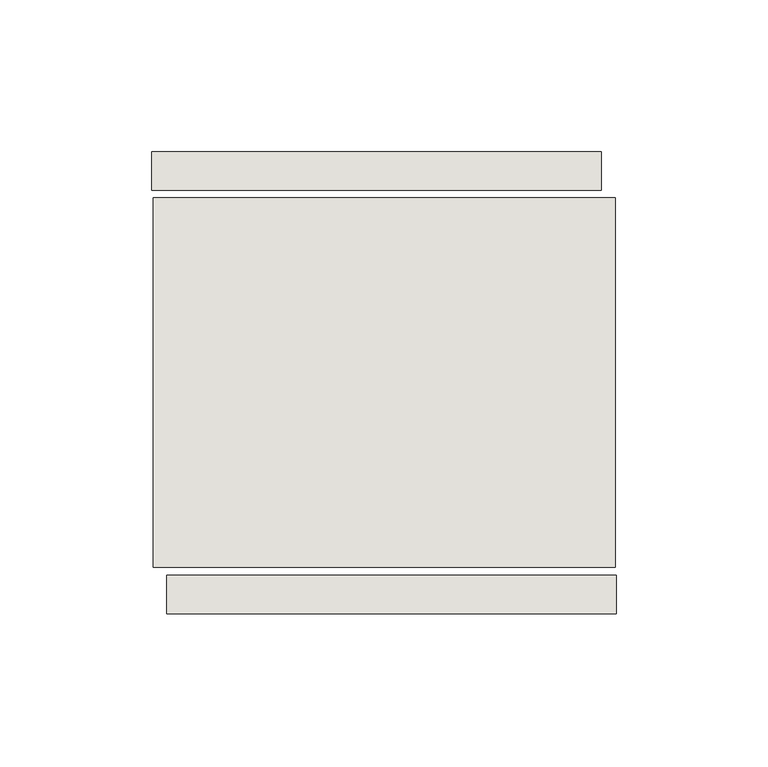
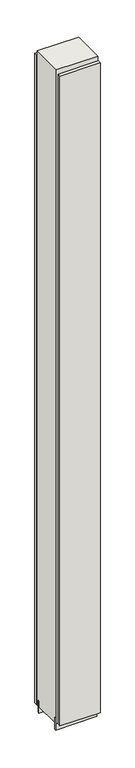
"""IFC4 building model written with IfcOpenShell, lengths in millimetres: wall geometry."""

from ifc_helpers import new_model, si_unit, frame, origin, place, context, project, spatial, polyline, outline, extrude, source, transform, mapped, element, save


def wall_21c7f085(model_context):
    return source(origin(), model_context, "Body", "SweptSolid", [
        extrude(outline(polyline([(57350.956418, -39389.1845692), (57353.496418, -39389.1845692), (57353.496418, -39391.7245692), (57350.956418, -39391.7245692), (57350.956418, -39389.1845692)])), frame((0.0, 0.0, 4419.6), z_axis=(0.0, 0.0, 1.0), x_axis=(1.0, 0.0, 0.0)), (0.0, 0.0, 1.0), 2.54),
        extrude(outline(polyline([(57353.9657313, -39466.6545692), (57205.5657283, -39466.6545692), (57205.5657283, -39453.9545692), (57353.9657313, -39453.9545692), (57353.9657313, -39466.6545692)])), frame((0.0, 0.0, 4445.0), z_axis=(0.0, 0.0, 1.0), x_axis=(1.0, 0.0, 0.0)), (0.0, 0.0, 1.0), 2545.0498756),
        extrude(outline(polyline([(57200.6295939, -39314.2545692), (57349.0295969, -39314.2545692), (57349.0295969, -39326.9545692), (57200.6295939, -39326.9545692), (57200.6295939, -39314.2545692)])), frame((0.0, 0.0, 4445.0), z_axis=(0.0, 0.0, 1.0), x_axis=(1.0, 0.0, 0.0)), (0.0, 0.0, 1.0), 2545.0498756),
        extrude(outline(polyline([(57201.1038602, -39442.1351364), (57353.5038602, -39442.1351364), (57353.5038602, -39447.2169906), (57201.1038602, -39447.2169906), (57201.1038602, -39442.1351364)])), frame((0.0, 0.0, 4418.6602), z_axis=(0.0, 0.0, 1.0), x_axis=(1.0, 0.0, 0.0)), (0.0, 0.0, 1.0), 47.625),
        extrude(outline(polyline([(57201.1038602, -39442.1351364), (57353.5038602, -39442.1351364), (57353.5038602, -39447.2169906), (57201.1038602, -39447.2169906), (57201.1038602, -39442.1351364)])), frame((0.0, 0.0, 4418.6602), z_axis=(0.0, 0.0, 1.0), x_axis=(1.0, 0.0, 0.0)), (0.0, 0.0, 1.0), 47.625),
        extrude(outline(polyline([(57353.5038602, -39338.758508), (57201.1038602, -39338.758508), (57201.1038602, -39333.6766284), (57353.5038602, -39333.6766284), (57353.5038602, -39338.758508)])), frame((0.0, 0.0, 4418.6602), z_axis=(0.0, 0.0, 1.0), x_axis=(1.0, 0.0, 0.0)), (0.0, 0.0, 1.0), 47.625),
        extrude(outline(polyline([(57353.5038602, -39338.758508), (57201.1038602, -39338.758508), (57201.1038602, -39333.6766284), (57353.5038602, -39333.6766284), (57353.5038602, -39338.758508)])), frame((0.0, 0.0, 4418.6602), z_axis=(0.0, 0.0, 1.0), x_axis=(1.0, 0.0, 0.0)), (0.0, 0.0, 1.0), 47.625),
        extrude(outline(polyline([(57201.1038602, -39451.4058824), (57201.1038602, -39329.4877366), (57353.5038602, -39329.4877366), (57353.5038602, -39451.4058824), (57201.1038602, -39451.4058824)])), frame((0.0, 0.0, 4445.0), z_axis=(0.0, 0.0, 1.0), x_axis=(1.0, 0.0, 0.0)), (0.0, 0.0, 1.0), 2562.4536762),
    ])


if __name__ == "__main__":
    model = new_model("IFC4")
    model_context = context("Model", 3, world=origin())
    ifc_project = project(units=[si_unit("LENGTHUNIT", "METRE", prefix="MILLI")], contexts=[model_context])
    site = spatial("IfcSite", under=ifc_project)
    building = spatial("IfcBuilding", under=site)
    placement = place(None, origin())
    wall_shape = wall_21c7f085(model_context)
    element("IfcWall", 1, at=placement, inside=building, context=model_context, shape_type="MappedRepresentation", body=[
        mapped(wall_shape, transform((0.0, 0.0, 0.0), x_axis=(1.0, 0.0, 0.0), y_axis=(0.0, 1.0, 0.0), z_axis=(0.0, 0.0, 1.0))),
    ])
    save(model, "model.ifc")
